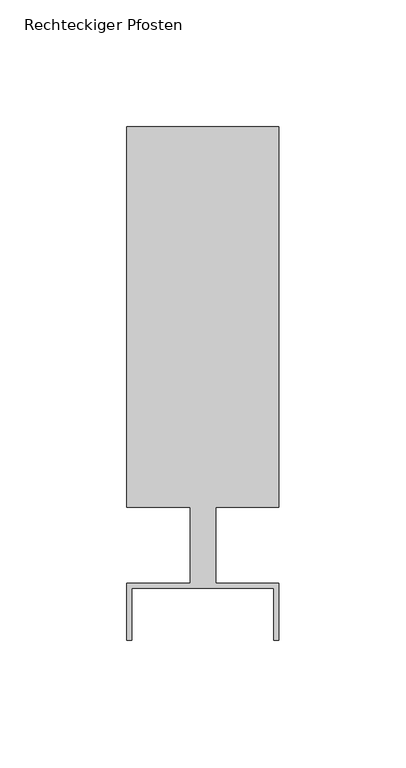
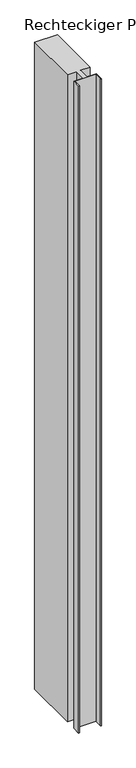
"""IFC4 building model written with IfcOpenShell, lengths in millimetres: member geometry, Rechteckiger Pfosten."""

from ifc_helpers import new_model, si_unit, frame, origin, place, context, project, spatial, polyline, outline, extrude, source, transform, mapped, element, save


def rechteckiger_pfosten_452984e8(model_context):
    return source(origin(), model_context, "Body", "SweptSolid", [
        extrude(outline(polyline([(28.0, -37.5), (28.0, -17.0), (-28.0, -17.0), (-28.0, -37.5), (-30.0, -37.5), (-30.0, -15.0), (-5.0, -15.0), (-5.0, 15.0), (-30.0, 15.0), (-30.0, 165.0), (30.0, 165.0), (30.0, 15.0), (5.0, 15.0), (5.0, -15.0), (30.0, -15.0), (30.0, -37.5), (28.0, -37.5)])), frame((0.0, 0.0, -1816.4189594), z_axis=(0.0, 0.0, 1.0), x_axis=(1.0, 0.0, 0.0)), (0.0, 0.0, 1.0), 1816.4189594),
    ])


if __name__ == "__main__":
    model = new_model("IFC4")
    model_context = context("Model", 3, world=origin())
    ifc_project = project(units=[si_unit("LENGTHUNIT", "METRE", prefix="MILLI")], contexts=[model_context])
    site = spatial("IfcSite", under=ifc_project)
    building = spatial("IfcBuilding", under=site)
    placement = place(None, origin())
    rechteckiger_pfosten_shape = rechteckiger_pfosten_452984e8(model_context)
    element("IfcMember", 1, ObjectType="Rechteckiger Pfosten", at=placement, inside=building, context=model_context, shape_type="MappedRepresentation", body=[
        mapped(rechteckiger_pfosten_shape, transform((0.0, 0.0, 0.0), x_axis=(1.0, 0.0, 0.0), y_axis=(0.0, 1.0, 0.0), z_axis=(0.0, 0.0, 1.0))),
    ])
    save(model, "model.ifc")
